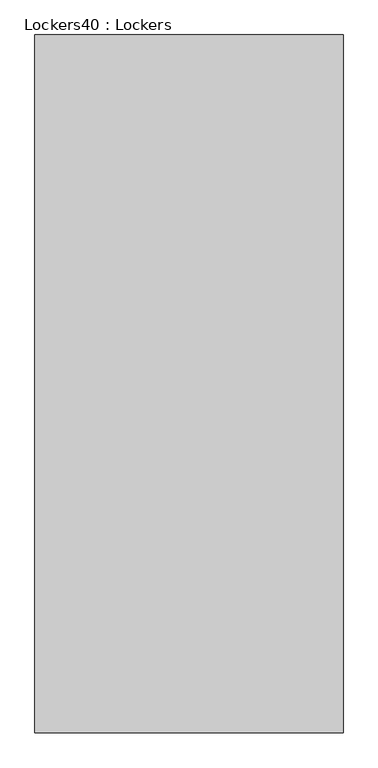
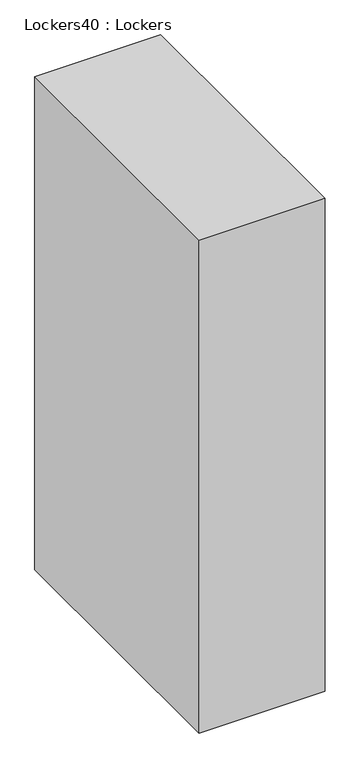
"""IFC4 building model written with IfcOpenShell, lengths in millimetres: furniture geometry, Lockers40 : Lockers."""

from ifc_helpers import new_model, si_unit, origin, origin_with_axes, place, context, project, spatial, polyline, outline, extrude, source, transform, mapped, element, save


def lockers40_lockers_0d1465e4(model_context):
    return source(origin(), model_context, "Body", "SweptSolid", [
        extrude(outline(polyline([(-565173.2902128, -61628.1068258), (-565173.2902128, -62627.7143135), (-565614.6152128, -62627.7143135), (-565614.6152128, -61628.1068258), (-565173.2902128, -61628.1068258)])), origin_with_axes(), (0.0, 0.0, 1.0), 1828.8),
    ])


if __name__ == "__main__":
    model = new_model("IFC4")
    model_context = context("Model", 3, world=origin())
    ifc_project = project(units=[si_unit("LENGTHUNIT", "METRE", prefix="MILLI")], contexts=[model_context])
    site = spatial("IfcSite", under=ifc_project)
    building = spatial("IfcBuilding", under=site)
    placement = place(None, origin())
    lockers40_lockers_shape = lockers40_lockers_0d1465e4(model_context)
    element("IfcFurniture", 1, ObjectType="Lockers40 : Lockers", at=placement, inside=building, context=model_context, shape_type="MappedRepresentation", body=[
        mapped(lockers40_lockers_shape, transform((0.0, 0.0, 0.0), x_axis=(1.0, 0.0, 0.0), y_axis=(0.0, 1.0, 0.0), z_axis=(0.0, 0.0, 1.0))),
    ])
    save(model, "model.ifc")
